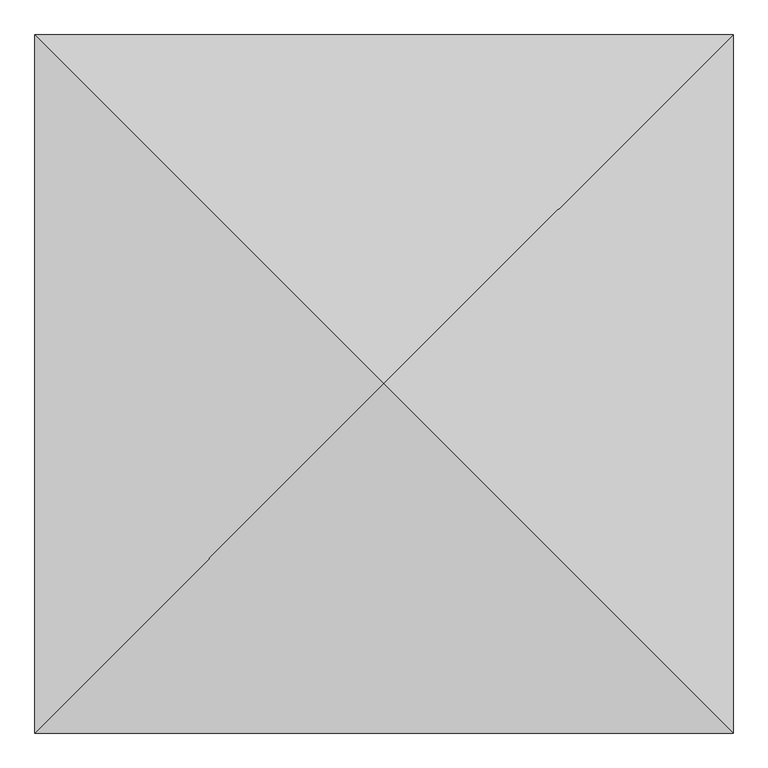
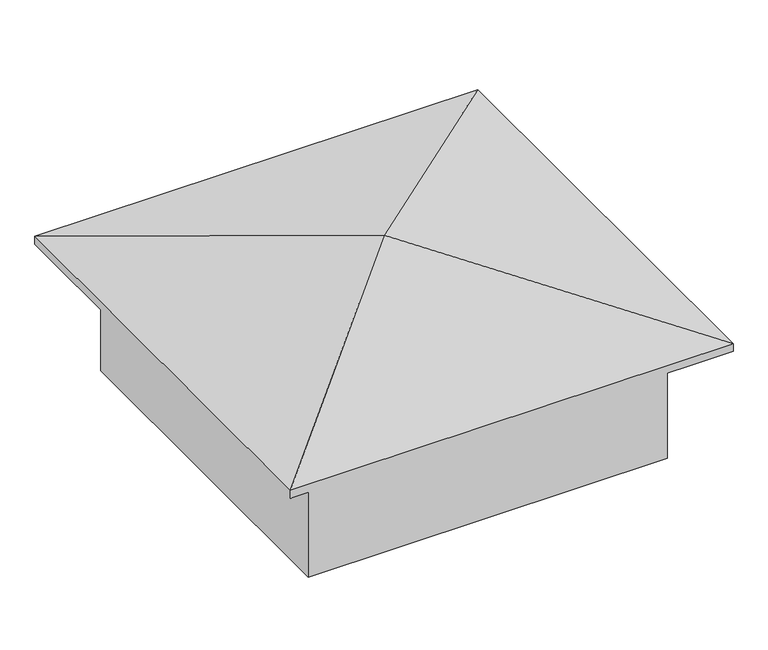
"""IFC4 building model written with IfcOpenShell, lengths in millimetres: geographic element geometry."""

from ifc_helpers import new_model, si_unit, origin, place, context, project, spatial, triangles, source, transform, mapped, element, save


def geographic_element_f21bfe5a(model_context):
    return source(origin(), model_context, "Body", "Tessellation", [
        triangles([(3525.6470078, 3525.6470078, 3020.4583672), (0.0, 7051.2940155, 2095.1626659), (0.0, 0.0, 2095.1626659), (7051.2940155, 7051.2940155, 2095.1626659), (7051.2940155, 0.0, 2095.1626659), (7051.2940155, 7051.2940155, 1964.7245522), (0.0, 0.0, 1964.7245522), (0.0, 7051.2940155, 1964.7245522), (7051.2940155, 0.0, 1964.7245522), (6388.0490341, 6388.0490341, 0.0), (663.244836, 663.244836, 0.0), (663.244836, 6388.0490341, 0.0), (6388.0490341, 663.244836, 0.0), (6388.0490341, 663.244836, 2095.1626659), (663.244836, 663.244836, 2095.1626659), (6388.0490341, 6388.0490341, 2095.1626659), (663.244836, 6388.0490341, 2095.1626659)], [[1, 2, 3], [4, 2, 1], [5, 1, 3], [4, 1, 5], [6, 7, 8], [7, 6, 9], [2, 7, 3], [7, 2, 8], [2, 6, 8], [6, 2, 4], [6, 5, 9], [5, 6, 4], [5, 7, 9], [7, 5, 3], [10, 11, 12], [11, 10, 13], [14, 11, 13], [11, 14, 15], [10, 14, 13], [14, 10, 16], [17, 10, 12], [10, 17, 16], [17, 11, 15], [11, 17, 12], [14, 17, 15], [17, 14, 16]]),
    ])


if __name__ == "__main__":
    model = new_model("IFC4")
    model_context = context("Model", 3, world=origin())
    ifc_project = project(units=[si_unit("LENGTHUNIT", "METRE", prefix="MILLI")], contexts=[model_context])
    site = spatial("IfcSite", under=ifc_project)
    building = spatial("IfcBuilding", under=site)
    placement = place(None, origin())
    geographic_element_shape = geographic_element_f21bfe5a(model_context)
    element("IfcGeographicElement", 1, at=placement, inside=building, context=model_context, shape_type="MappedRepresentation", body=[
        mapped(geographic_element_shape, transform((0.0, 0.0, 0.0), x_axis=(1.0, 0.0, 0.0), y_axis=(0.0, 1.0, 0.0), z_axis=(0.0, 0.0, 1.0))),
    ])
    save(model, "model.ifc")
